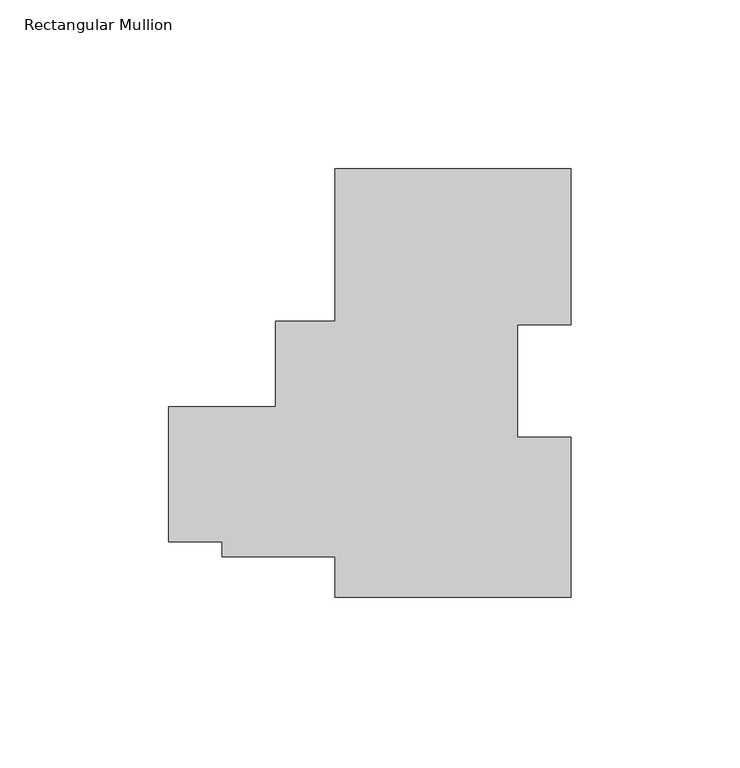
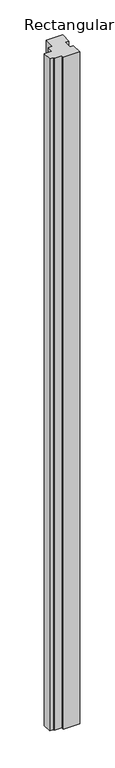
"""IFC4 building model written with IfcOpenShell, lengths in millimetres: member geometry, Rectangular Mullion."""

import ifcopenshell
import ifcopenshell.guid

model = None  # the IFC model being written
_history = None  # IfcOwnerHistory: only IFC2X3 demands one
_inside = {}  # id of a spatial element -> (the spatial element, [elements in it])
_under = {}  # id of a project, library or spatial element -> (it, [spatial elements below it])
_declared = {}  # id of a project -> (the project, [libraries it declares])
_typed = {}  # id of a type object -> (the type object, [elements of that type])
_made_of = {}  # id of a material, layer set ... -> (it, [elements and type objects made of it])


def new_model(schema):
    """Start an empty IFC model of exactly this schema.

    Asked for "IFC4X3", IfcOpenShell would pick the latest addendum, in which some entities
    have other attributes; the version numbers below select the first issue.
    IFC2X3 requires an IfcOwnerHistory on every rooted entity: one is made here for all.
    """
    global model, _history
    if schema == "IFC4X3":
        model = ifcopenshell.file(schema_version=(4, 3, 0, 0))
    else:
        model = ifcopenshell.file(schema=schema)
    _inside.clear()
    _under.clear()
    _declared.clear()
    _typed.clear()
    _made_of.clear()
    _history = None
    if model.schema == "IFC2X3":
        org = make("IfcOrganization", Name="unknown")
        user = make(
            "IfcPersonAndOrganization",
            ThePerson=make("IfcPerson", FamilyName="unknown"),
            TheOrganization=org,
        )
        app = make(
            "IfcApplication",
            ApplicationDeveloper=org,
            Version="unknown",
            ApplicationFullName="unknown",
            ApplicationIdentifier="unknown",
        )
        _history = make(
            "IfcOwnerHistory",
            OwningUser=user,
            OwningApplication=app,
            ChangeAction="ADDED",
            CreationDate=0,
        )
    return model


def make(cls, **values):
    """One entity of the class cls with the attributes given. An attribute that is None is left unset."""
    return model.create_entity(
        cls, **{name: value for name, value in values.items() if value is not None}
    )


def rooted(cls, **values):
    """An entity with a GlobalId (a new one), such as an element, a storey or a relation."""
    return make(cls, GlobalId=ifcopenshell.guid.new(), OwnerHistory=_history, **values)


def si_unit(unit_type, name, prefix=None):
    """IfcSIUnit, for example si_unit("LENGTHUNIT", "METRE", prefix="MILLI")."""
    return make("IfcSIUnit", UnitType=unit_type, Prefix=prefix, Name=name)


def assignment(units):
    """IfcUnitAssignment: the units of a project."""
    return None if units is None else make("IfcUnitAssignment", Units=units)


def point(xyz):
    """IfcCartesianPoint."""
    return None if xyz is None else make("IfcCartesianPoint", Coordinates=xyz)


def direction(xyz):
    """IfcDirection."""
    return None if xyz is None else make("IfcDirection", DirectionRatios=xyz)


def frame(location, z_axis=None, x_axis=None):
    """IfcAxis2Placement3D, a coordinate frame: its origin and axes. An axis left out is left unset."""
    return make(
        "IfcAxis2Placement3D",
        Location=point(location),
        Axis=direction(z_axis),
        RefDirection=direction(x_axis),
    )


def origin():
    """The frame at (0, 0, 0) with its axes left unset."""
    return frame((0.0, 0.0, 0.0))


def place(relative_to, where):
    """IfcLocalPlacement: puts the frame where relative to a parent placement (None: the world)."""
    return make(
        "IfcLocalPlacement", PlacementRelTo=relative_to, RelativePlacement=where
    )


def context(
    kind, dimensions, precision=None, world=None, true_north=None, identifier=None
):
    """IfcGeometricRepresentationContext, for example the 3D "Model" context."""
    return make(
        "IfcGeometricRepresentationContext",
        ContextIdentifier=identifier,
        ContextType=kind,
        CoordinateSpaceDimension=dimensions,
        Precision=precision,
        WorldCoordinateSystem=world,
        TrueNorth=true_north,
    )


def project(units=None, contexts=None):
    """IfcProject with its units and contexts."""
    return rooted(
        "IfcProject",
        Name="project",
        RepresentationContexts=contexts,
        UnitsInContext=assignment(units),
    )


def spatial(cls, under=None, at=None, **own):
    """A site, building, storey or space (cls), placed at a placement, below another one or the project."""
    s = rooted(cls, ObjectPlacement=at, **own)
    if under is not None:
        _under.setdefault(under.id(), (under, []))[1].append(s)
    return s


def polyline(points):
    """IfcPolyline through the points."""
    return make("IfcPolyline", Points=[point(p) for p in points])


def outline(outer, holes=None, kind="AREA"):
    """IfcArbitraryClosedProfileDef: a profile drawn as a closed curve; with holes, ...WithVoids."""
    if holes is None:
        return make("IfcArbitraryClosedProfileDef", ProfileType=kind, OuterCurve=outer)
    return make(
        "IfcArbitraryProfileDefWithVoids",
        ProfileType=kind,
        OuterCurve=outer,
        InnerCurves=holes,
    )


def extrude(swept, where, along, depth):
    """IfcExtrudedAreaSolid: the profile swept, set in the frame where, extruded along a direction by depth."""
    return make(
        "IfcExtrudedAreaSolid",
        SweptArea=swept,
        Position=where,
        ExtrudedDirection=direction(along),
        Depth=depth,
    )


def shape(context_of_items, identifier, shape_type, items):
    """IfcShapeRepresentation: the items that make up one representation, for example the "Body"."""
    return make(
        "IfcShapeRepresentation",
        ContextOfItems=context_of_items,
        RepresentationIdentifier=identifier,
        RepresentationType=shape_type,
        Items=items,
    )


def source(mapping_origin, context_of_items, identifier, shape_type, items):
    """IfcRepresentationMap: a shape defined once, which mapped items show again and again."""
    return make(
        "IfcRepresentationMap",
        MappingOrigin=mapping_origin,
        MappedRepresentation=shape(context_of_items, identifier, shape_type, items),
    )


def transform(
    local_origin,
    x_axis=None,
    y_axis=None,
    z_axis=None,
    scale=None,
    scale2=None,
    scale3=None,
    uniform=True,
):
    """IfcCartesianTransformationOperator3D, or its non-uniform kind. x_axis, y_axis, z_axis: its Axis1, 2, 3."""
    if uniform:
        return make(
            "IfcCartesianTransformationOperator3D",
            Axis1=direction(x_axis),
            Axis2=direction(y_axis),
            LocalOrigin=point(local_origin),
            Scale=scale,
            Axis3=direction(z_axis),
        )
    return make(
        "IfcCartesianTransformationOperator3DnonUniform",
        Axis1=direction(x_axis),
        Axis2=direction(y_axis),
        LocalOrigin=point(local_origin),
        Scale=scale,
        Axis3=direction(z_axis),
        Scale2=scale2,
        Scale3=scale3,
    )


def mapped(mapping_source, mapping_target):
    """IfcMappedItem: shows the shape of a source again, moved by a transform."""
    return make(
        "IfcMappedItem", MappingSource=mapping_source, MappingTarget=mapping_target
    )


def made_of(thing, what):
    """Note that an element or type object is made of a material, layer set ...; save() writes the relation."""
    if what is not None:
        _made_of.setdefault(what.id(), (what, []))[1].append(thing)
    return thing


def element(
    cls,
    number,
    at=None,
    inside=None,
    cuts=None,
    type_object=None,
    material=None,
    context=None,
    identifier="Body",
    shape_type=None,
    held_by="IfcProductDefinitionShape",
    body=None,
    shapes=None,
    **own,
):
    """One element of the class cls, such as IfcWall. Its Tag is "e" and its number.

    at: its placement. inside: the storey or other place that contains it. cuts: it is an
    opening in that element (IfcRelVoidsElement). A single representation is given by context,
    identifier, shape_type and body (its items); several are given by shapes. held_by: the class
    of the entity that holds the representations. save() writes the other relations.
    """
    e = rooted(cls, Tag="e%d" % number, ObjectPlacement=at, **own)
    if body is not None:
        shapes = [shape(context, identifier, shape_type, body)]
    if shapes is not None:
        e.Representation = make(held_by, Representations=shapes)
    if inside is not None:
        _inside.setdefault(inside.id(), (inside, []))[1].append(e)
    if cuts is not None:
        rooted(
            "IfcRelVoidsElement", RelatingBuildingElement=cuts, RelatedOpeningElement=e
        )
    if type_object is not None:
        _typed.setdefault(type_object.id(), (type_object, []))[1].append(e)
    return made_of(e, material)


def aggregate(whole, parts):
    """IfcRelAggregates: a whole, such as a stair, and the parts it consists of."""
    return rooted("IfcRelAggregates", RelatingObject=whole, RelatedObjects=parts)


def save(model, path):
    """Write the relations noted so far, then the file.

    IfcRelAggregates (storeys below a building ...), IfcRelContainedInSpatialStructure (elements
    in a storey), IfcRelDefinesByType, IfcRelAssociatesMaterial and IfcRelDeclares: one each for
    every whole, place, type object, material and project.
    """
    for whole, parts in _under.values():
        aggregate(whole, parts)
    for where, things in _inside.values():
        rooted(
            "IfcRelContainedInSpatialStructure",
            RelatedElements=things,
            RelatingStructure=where,
        )
    for kind, things in _typed.values():
        rooted("IfcRelDefinesByType", RelatedObjects=things, RelatingType=kind)
    for what, things in _made_of.values():
        rooted("IfcRelAssociatesMaterial", RelatedObjects=things, RelatingMaterial=what)
    for by, libraries in _declared.values():
        rooted("IfcRelDeclares", RelatingContext=by, RelatedDefinitions=libraries)
    model.write(path)


def rectangular_mullion_b5fb0ede(model_context):
    return source(origin(), model_context, "Body", "SweptSolid", [
        extrude(outline(polyline([(0.0, 63.5), (0.0, 17.31709), (-15.875, 17.31709), (-15.875, -16.0413201), (-6e-07, -16.0413201), (-6e-07, -63.5), (-69.9423164, -63.5), (-69.9423164, -51.5156822), (-103.3839122, -51.5156822), (-103.3839122, -47.0706822), (-119.2580027, -47.0706822), (-119.2580027, -7.0656822), (-87.5098327, -7.0656822), (-87.5098327, 18.3262954), (-69.9423164, 18.3262954), (-69.9423164, 63.5), (0.0, 63.5)])), frame((0.0, 0.0, -3048.0), z_axis=(0.0, 0.0, 1.0), x_axis=(1.0, 0.0, 0.0)), (0.0, 0.0, 1.0), 3048.0),
    ])


if __name__ == "__main__":
    model = new_model("IFC4")
    model_context = context("Model", 3, world=origin())
    ifc_project = project(units=[si_unit("LENGTHUNIT", "METRE", prefix="MILLI")], contexts=[model_context])
    site = spatial("IfcSite", under=ifc_project)
    building = spatial("IfcBuilding", under=site)
    placement = place(None, origin())
    rectangular_mullion_shape = rectangular_mullion_b5fb0ede(model_context)
    element("IfcMember", 1, ObjectType="Rectangular Mullion", at=placement, inside=building, context=model_context, shape_type="MappedRepresentation", body=[
        mapped(rectangular_mullion_shape, transform((0.0, 0.0, 0.0), x_axis=(1.0, 0.0, 0.0), y_axis=(0.0, 1.0, 0.0), z_axis=(0.0, 0.0, 1.0))),
    ])
    save(model, "model.ifc")
